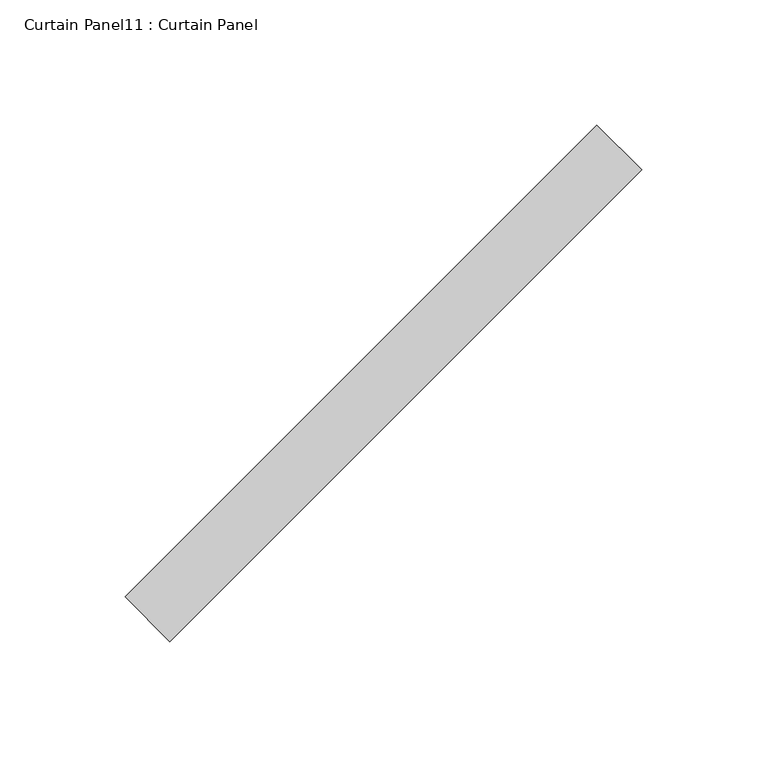
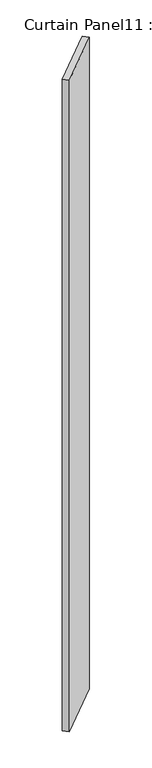
"""IFC4 building model written with IfcOpenShell, lengths in millimetres: plate geometry, Curtain Panel11 : Curtain Panel."""

from ifc_helpers import new_model, si_unit, frame, origin, place, context, project, spatial, polyline, outline, extrude, source, transform, mapped, element, save


def curtain_panel11_curtain_panel_382c1229(model_context):
    return source(origin(), model_context, "Body", "SweptSolid", [
        extrude(outline(polyline([(-7507.182593, 2172.0616856), (-7695.7679715, 1983.476307), (-7713.7284837, 2001.4368193), (-7525.1431052, 2190.0221978), (-7507.182593, 2172.0616856)])), frame((0.0, 0.0, -680.0975461), z_axis=(0.0, 0.0, 1.0), x_axis=(1.0, 0.0, 0.0)), (0.0, 0.0, 1.0), 2743.2),
    ])


if __name__ == "__main__":
    model = new_model("IFC4")
    model_context = context("Model", 3, world=origin())
    ifc_project = project(units=[si_unit("LENGTHUNIT", "METRE", prefix="MILLI")], contexts=[model_context])
    site = spatial("IfcSite", under=ifc_project)
    building = spatial("IfcBuilding", under=site)
    placement = place(None, origin())
    curtain_panel11_curtain_panel_shape = curtain_panel11_curtain_panel_382c1229(model_context)
    element("IfcPlate", 1, ObjectType="Curtain Panel11 : Curtain Panel", at=placement, inside=building, context=model_context, shape_type="MappedRepresentation", body=[
        mapped(curtain_panel11_curtain_panel_shape, transform((0.0, 0.0, 0.0), x_axis=(1.0, 0.0, 0.0), y_axis=(0.0, 1.0, 0.0), z_axis=(0.0, 0.0, 1.0))),
    ])
    save(model, "model.ifc")
